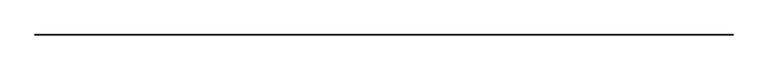
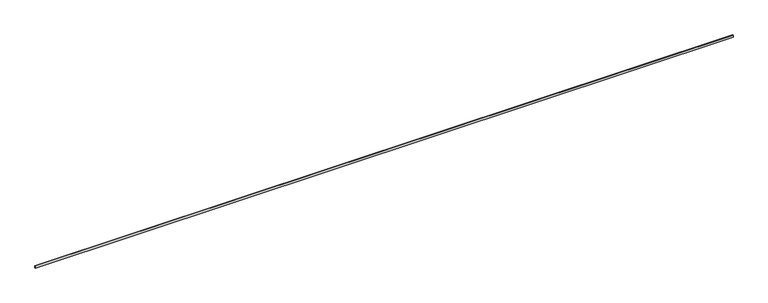
"""IFC4 building model written with IfcOpenShell, lengths in millimetres: railing geometry."""

from ifc_helpers import new_model, si_unit, frame, origin, place, context, project, spatial, polyline, outline, extrude, source, transform, mapped, element, save


def railing_12a65ef3(model_context):
    return source(origin(), model_context, "Body", "SweptSolid", [
        extrude(outline(polyline([(-10000.6702828, 30056.9465374), (-10000.6702828, 30066.9465374), (2189.3297172, 30066.9465374), (2189.3297172, 30056.9465374), (-10000.6702828, 30056.9465374)])), frame((0.0, 0.0, 710.0), z_axis=(0.0, 0.0, 1.0), x_axis=(1.0, 0.0, 0.0)), (0.0, 0.0, 1.0), 40.0),
    ])


if __name__ == "__main__":
    model = new_model("IFC4")
    model_context = context("Model", 3, world=origin())
    ifc_project = project(units=[si_unit("LENGTHUNIT", "METRE", prefix="MILLI")], contexts=[model_context])
    site = spatial("IfcSite", under=ifc_project)
    building = spatial("IfcBuilding", under=site)
    placement = place(None, origin())
    railing_shape = railing_12a65ef3(model_context)
    element("IfcRailing", 1, at=placement, inside=building, context=model_context, shape_type="MappedRepresentation", body=[
        mapped(railing_shape, transform((0.0, 0.0, 0.0), x_axis=(1.0, 0.0, 0.0), y_axis=(0.0, 1.0, 0.0), z_axis=(0.0, 0.0, 1.0))),
    ])
    save(model, "model.ifc")
